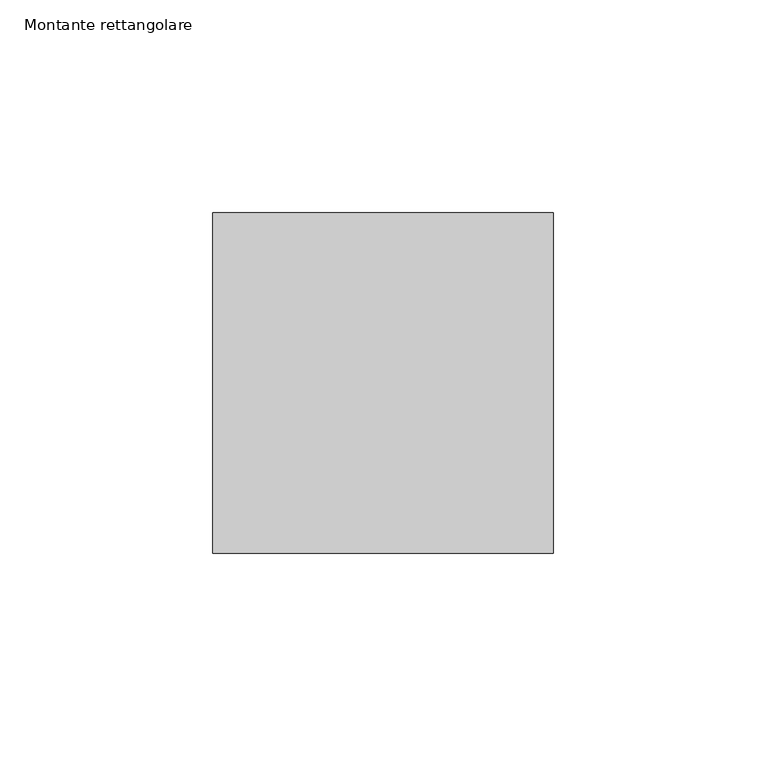
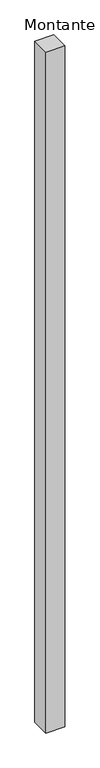
"""IFC4 building model written with IfcOpenShell, lengths in millimetres: member geometry, Montante rettangolare."""

from ifc_helpers import new_model, si_unit, frame, origin, place, context, project, spatial, polyline, outline, extrude, source, transform, mapped, element, save


def montante_rettangolare_2d02d45b(model_context):
    return source(origin(), model_context, "Body", "SweptSolid", [
        extrude(outline(polyline([(0.0, 40.0), (0.0, -40.0), (-80.0, -40.0), (-80.0, 40.0), (0.0, 40.0)])), frame((0.0, 0.0, -3036.1552348), z_axis=(0.0, 0.0, 1.0), x_axis=(1.0, 0.0, 0.0)), (0.0, 0.0, 1.0), 3036.1552348),
    ])


if __name__ == "__main__":
    model = new_model("IFC4")
    model_context = context("Model", 3, world=origin())
    ifc_project = project(units=[si_unit("LENGTHUNIT", "METRE", prefix="MILLI")], contexts=[model_context])
    site = spatial("IfcSite", under=ifc_project)
    building = spatial("IfcBuilding", under=site)
    placement = place(None, origin())
    montante_rettangolare_shape = montante_rettangolare_2d02d45b(model_context)
    element("IfcMember", 1, ObjectType="Montante rettangolare", at=placement, inside=building, context=model_context, shape_type="MappedRepresentation", body=[
        mapped(montante_rettangolare_shape, transform((0.0, 0.0, 0.0), x_axis=(1.0, 0.0, 0.0), y_axis=(0.0, 1.0, 0.0), z_axis=(0.0, 0.0, 1.0))),
    ])
    save(model, "model.ifc")
